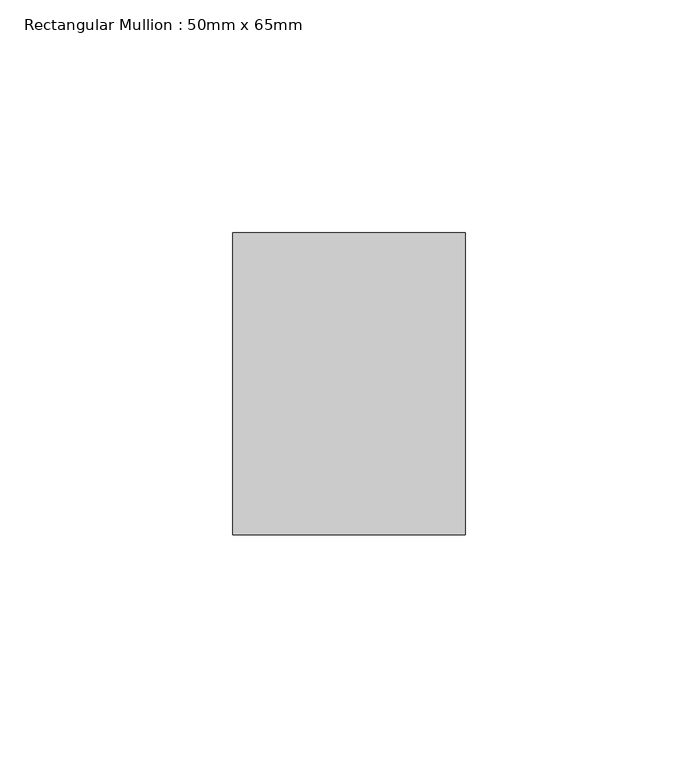
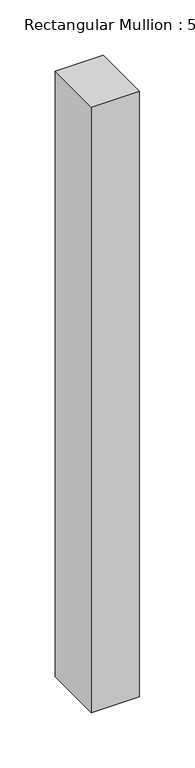
"""IFC4 building model written with IfcOpenShell, lengths in millimetres: member geometry, Rectangular Mullion : 50mm x 65mm."""

from ifc_helpers import new_model, si_unit, frame, origin, place, context, project, spatial, polyline, outline, extrude, source, transform, mapped, element, save


def rectangular_mullion_50mm_x_65mm_bfcb139e(model_context):
    return source(origin(), model_context, "Body", "SweptSolid", [
        extrude(outline(polyline([(25.0, 32.5), (25.0, -32.5), (-25.0, -32.5), (-25.0, 32.5), (25.0, 32.5)])), frame((0.0, 0.0, -667.5405547), z_axis=(0.0, 0.0, 1.0), x_axis=(1.0, 0.0, 0.0)), (0.0, 0.0, 1.0), 667.5405547),
    ])


if __name__ == "__main__":
    model = new_model("IFC4")
    model_context = context("Model", 3, world=origin())
    ifc_project = project(units=[si_unit("LENGTHUNIT", "METRE", prefix="MILLI")], contexts=[model_context])
    site = spatial("IfcSite", under=ifc_project)
    building = spatial("IfcBuilding", under=site)
    placement = place(None, origin())
    rectangular_mullion_50mm_x_65mm_shape = rectangular_mullion_50mm_x_65mm_bfcb139e(model_context)
    element("IfcMember", 1, ObjectType="Rectangular Mullion : 50mm x 65mm", at=placement, inside=building, context=model_context, shape_type="MappedRepresentation", body=[
        mapped(rectangular_mullion_50mm_x_65mm_shape, transform((0.0, 0.0, 0.0), x_axis=(1.0, 0.0, 0.0), y_axis=(0.0, 1.0, 0.0), z_axis=(0.0, 0.0, 1.0))),
    ])
    save(model, "model.ifc")
